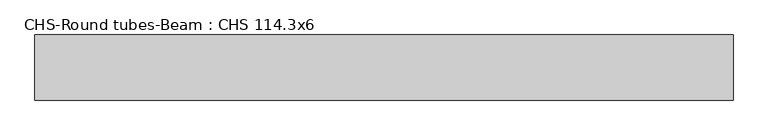
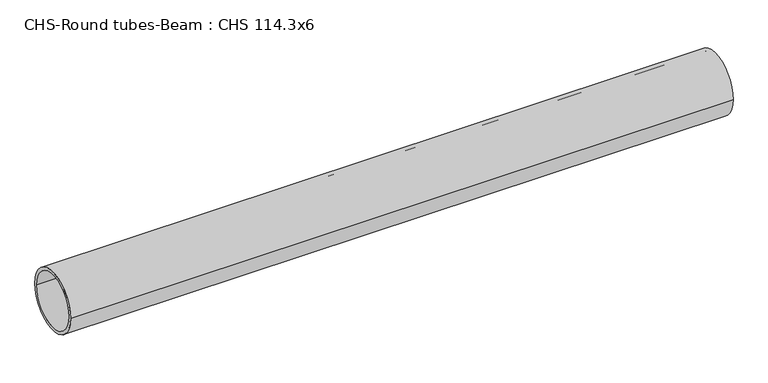
"""IFC4 building model written with IfcOpenShell, lengths in millimetres: beam geometry, CHS-Round tubes-Beam : CHS 114.3x6."""

from ifc_helpers import new_model, si_unit, point, frame, origin, origin_2d, place, context, project, spatial, circle_curve, trimmed, segment, composite_curve, outline, extrude, source, transform, mapped, element, save


def chs_round_tubes_beam_chs_114_3x6_53cb6289(model_context):
    return source(origin(), model_context, "Body", "SweptSolid", [
        extrude(outline(composite_curve([segment(trimmed(circle_curve(origin_2d(), 57.15), [point((57.15, 0.0))], [point((-57.15, 0.0))], False, "CARTESIAN"), True, "CONTINUOUS"), segment(trimmed(circle_curve(origin_2d(), 57.15), [point((-57.15, 0.0))], [point((57.15, 0.0))], False, "CARTESIAN"), True, "CONTINUOUS")], self_intersect=False), holes=[composite_curve([segment(trimmed(circle_curve(origin_2d(), 51.15), [point((51.15, 0.0))], [point((-51.15, 0.0))], True, "CARTESIAN"), True, "CONTINUOUS"), segment(trimmed(circle_curve(origin_2d(), 51.15), [point((-51.15, 0.0))], [point((51.15, 0.0))], True, "CARTESIAN"), True, "CONTINUOUS")], self_intersect=False)]), frame((-610.9730532, 0.0, 0.0), z_axis=(1.0, 0.0, 0.0), x_axis=(0.0, 1.0, 0.0)), (0.0, 0.0, 1.0), 1224.9902807),
    ])


if __name__ == "__main__":
    model = new_model("IFC4")
    model_context = context("Model", 3, world=origin())
    ifc_project = project(units=[si_unit("LENGTHUNIT", "METRE", prefix="MILLI")], contexts=[model_context])
    site = spatial("IfcSite", under=ifc_project)
    building = spatial("IfcBuilding", under=site)
    placement = place(None, origin())
    chs_round_tubes_beam_chs_114_3x6_shape = chs_round_tubes_beam_chs_114_3x6_53cb6289(model_context)
    element("IfcBeam", 1, ObjectType="CHS-Round tubes-Beam : CHS 114.3x6", at=placement, inside=building, context=model_context, shape_type="MappedRepresentation", body=[
        mapped(chs_round_tubes_beam_chs_114_3x6_shape, transform((0.0, 0.0, 0.0), x_axis=(1.0, 0.0, 0.0), y_axis=(0.0, 1.0, 0.0), z_axis=(0.0, 0.0, 1.0))),
    ])
    save(model, "model.ifc")
